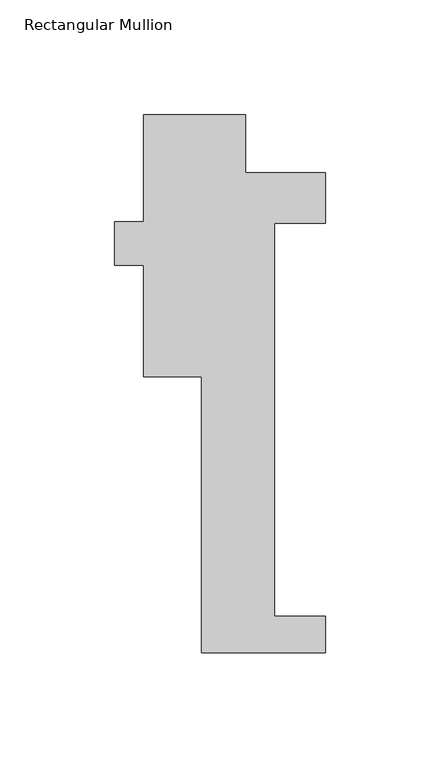
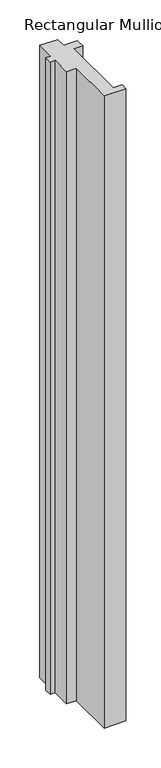
"""IFC4 building model written with IfcOpenShell, lengths in millimetres: member geometry, Rectangular Mullion."""

from ifc_helpers import new_model, si_unit, frame, origin, place, context, project, spatial, polyline, outline, extrude, source, transform, mapped, element, save


def rectangular_mullion_3cf88135(model_context):
    return source(origin(), model_context, "Body", "SweptSolid", [
        extrude(outline(polyline([(-15.875, -221.996), (-15.875, -101.6), (-41.275, -101.6), (-41.275, -53.0709981), (-53.9837706, -53.0709981), (-53.9837706, -34.0209981), (-41.275, -34.0209981), (-41.275, 12.7), (3.175, 12.7), (3.175, -12.7), (38.1, -12.7), (38.1, -34.671), (15.875, -34.671), (15.875, -206.121), (38.1, -206.121), (38.1, -221.996), (-15.875, -221.996)])), frame((0.0, 0.0, -1676.4), z_axis=(0.0, 0.0, 1.0), x_axis=(1.0, 0.0, 0.0)), (0.0, 0.0, 1.0), 1676.4),
    ])


if __name__ == "__main__":
    model = new_model("IFC4")
    model_context = context("Model", 3, world=origin())
    ifc_project = project(units=[si_unit("LENGTHUNIT", "METRE", prefix="MILLI")], contexts=[model_context])
    site = spatial("IfcSite", under=ifc_project)
    building = spatial("IfcBuilding", under=site)
    placement = place(None, origin())
    rectangular_mullion_shape = rectangular_mullion_3cf88135(model_context)
    element("IfcMember", 1, ObjectType="Rectangular Mullion", at=placement, inside=building, context=model_context, shape_type="MappedRepresentation", body=[
        mapped(rectangular_mullion_shape, transform((0.0, 0.0, 0.0), x_axis=(1.0, 0.0, 0.0), y_axis=(0.0, 1.0, 0.0), z_axis=(0.0, 0.0, 1.0))),
    ])
    save(model, "model.ifc")
